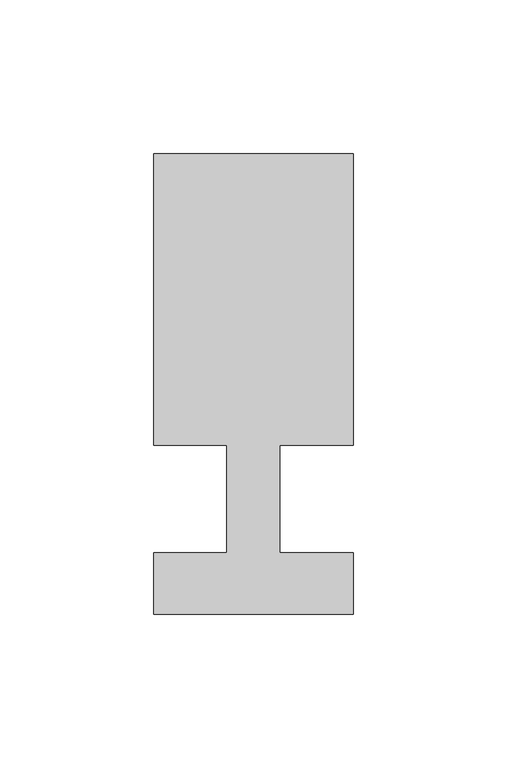
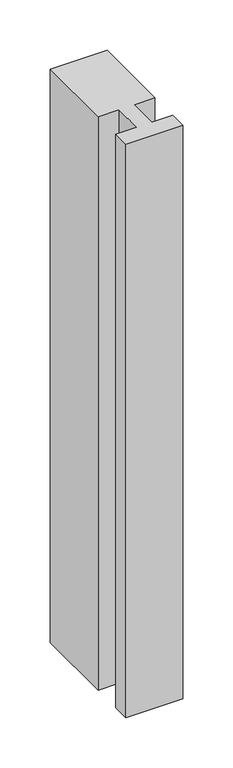
"""IFC4 building model written with IfcOpenShell, lengths in millimetres: member geometry."""

import ifcopenshell
import ifcopenshell.guid

model = None  # the IFC model being written
_history = None  # IfcOwnerHistory: only IFC2X3 demands one
_inside = {}  # id of a spatial element -> (the spatial element, [elements in it])
_under = {}  # id of a project, library or spatial element -> (it, [spatial elements below it])
_declared = {}  # id of a project -> (the project, [libraries it declares])
_typed = {}  # id of a type object -> (the type object, [elements of that type])
_made_of = {}  # id of a material, layer set ... -> (it, [elements and type objects made of it])


def new_model(schema):
    """Start an empty IFC model of exactly this schema.

    Asked for "IFC4X3", IfcOpenShell would pick the latest addendum, in which some entities
    have other attributes; the version numbers below select the first issue.
    IFC2X3 requires an IfcOwnerHistory on every rooted entity: one is made here for all.
    """
    global model, _history
    if schema == "IFC4X3":
        model = ifcopenshell.file(schema_version=(4, 3, 0, 0))
    else:
        model = ifcopenshell.file(schema=schema)
    _inside.clear()
    _under.clear()
    _declared.clear()
    _typed.clear()
    _made_of.clear()
    _history = None
    if model.schema == "IFC2X3":
        org = make("IfcOrganization", Name="unknown")
        user = make(
            "IfcPersonAndOrganization",
            ThePerson=make("IfcPerson", FamilyName="unknown"),
            TheOrganization=org,
        )
        app = make(
            "IfcApplication",
            ApplicationDeveloper=org,
            Version="unknown",
            ApplicationFullName="unknown",
            ApplicationIdentifier="unknown",
        )
        _history = make(
            "IfcOwnerHistory",
            OwningUser=user,
            OwningApplication=app,
            ChangeAction="ADDED",
            CreationDate=0,
        )
    return model


def make(cls, **values):
    """One entity of the class cls with the attributes given. An attribute that is None is left unset."""
    return model.create_entity(
        cls, **{name: value for name, value in values.items() if value is not None}
    )


def rooted(cls, **values):
    """An entity with a GlobalId (a new one), such as an element, a storey or a relation."""
    return make(cls, GlobalId=ifcopenshell.guid.new(), OwnerHistory=_history, **values)


def si_unit(unit_type, name, prefix=None):
    """IfcSIUnit, for example si_unit("LENGTHUNIT", "METRE", prefix="MILLI")."""
    return make("IfcSIUnit", UnitType=unit_type, Prefix=prefix, Name=name)


def assignment(units):
    """IfcUnitAssignment: the units of a project."""
    return None if units is None else make("IfcUnitAssignment", Units=units)


def point(xyz):
    """IfcCartesianPoint."""
    return None if xyz is None else make("IfcCartesianPoint", Coordinates=xyz)


def direction(xyz):
    """IfcDirection."""
    return None if xyz is None else make("IfcDirection", DirectionRatios=xyz)


def frame(location, z_axis=None, x_axis=None):
    """IfcAxis2Placement3D, a coordinate frame: its origin and axes. An axis left out is left unset."""
    return make(
        "IfcAxis2Placement3D",
        Location=point(location),
        Axis=direction(z_axis),
        RefDirection=direction(x_axis),
    )


def origin():
    """The frame at (0, 0, 0) with its axes left unset."""
    return frame((0.0, 0.0, 0.0))


def place(relative_to, where):
    """IfcLocalPlacement: puts the frame where relative to a parent placement (None: the world)."""
    return make(
        "IfcLocalPlacement", PlacementRelTo=relative_to, RelativePlacement=where
    )


def context(
    kind, dimensions, precision=None, world=None, true_north=None, identifier=None
):
    """IfcGeometricRepresentationContext, for example the 3D "Model" context."""
    return make(
        "IfcGeometricRepresentationContext",
        ContextIdentifier=identifier,
        ContextType=kind,
        CoordinateSpaceDimension=dimensions,
        Precision=precision,
        WorldCoordinateSystem=world,
        TrueNorth=true_north,
    )


def project(units=None, contexts=None):
    """IfcProject with its units and contexts."""
    return rooted(
        "IfcProject",
        Name="project",
        RepresentationContexts=contexts,
        UnitsInContext=assignment(units),
    )


def spatial(cls, under=None, at=None, **own):
    """A site, building, storey or space (cls), placed at a placement, below another one or the project."""
    s = rooted(cls, ObjectPlacement=at, **own)
    if under is not None:
        _under.setdefault(under.id(), (under, []))[1].append(s)
    return s


def polyline(points):
    """IfcPolyline through the points."""
    return make("IfcPolyline", Points=[point(p) for p in points])


def outline(outer, holes=None, kind="AREA"):
    """IfcArbitraryClosedProfileDef: a profile drawn as a closed curve; with holes, ...WithVoids."""
    if holes is None:
        return make("IfcArbitraryClosedProfileDef", ProfileType=kind, OuterCurve=outer)
    return make(
        "IfcArbitraryProfileDefWithVoids",
        ProfileType=kind,
        OuterCurve=outer,
        InnerCurves=holes,
    )


def extrude(swept, where, along, depth):
    """IfcExtrudedAreaSolid: the profile swept, set in the frame where, extruded along a direction by depth."""
    return make(
        "IfcExtrudedAreaSolid",
        SweptArea=swept,
        Position=where,
        ExtrudedDirection=direction(along),
        Depth=depth,
    )


def shape(context_of_items, identifier, shape_type, items):
    """IfcShapeRepresentation: the items that make up one representation, for example the "Body"."""
    return make(
        "IfcShapeRepresentation",
        ContextOfItems=context_of_items,
        RepresentationIdentifier=identifier,
        RepresentationType=shape_type,
        Items=items,
    )


def source(mapping_origin, context_of_items, identifier, shape_type, items):
    """IfcRepresentationMap: a shape defined once, which mapped items show again and again."""
    return make(
        "IfcRepresentationMap",
        MappingOrigin=mapping_origin,
        MappedRepresentation=shape(context_of_items, identifier, shape_type, items),
    )


def transform(
    local_origin,
    x_axis=None,
    y_axis=None,
    z_axis=None,
    scale=None,
    scale2=None,
    scale3=None,
    uniform=True,
):
    """IfcCartesianTransformationOperator3D, or its non-uniform kind. x_axis, y_axis, z_axis: its Axis1, 2, 3."""
    if uniform:
        return make(
            "IfcCartesianTransformationOperator3D",
            Axis1=direction(x_axis),
            Axis2=direction(y_axis),
            LocalOrigin=point(local_origin),
            Scale=scale,
            Axis3=direction(z_axis),
        )
    return make(
        "IfcCartesianTransformationOperator3DnonUniform",
        Axis1=direction(x_axis),
        Axis2=direction(y_axis),
        LocalOrigin=point(local_origin),
        Scale=scale,
        Axis3=direction(z_axis),
        Scale2=scale2,
        Scale3=scale3,
    )


def mapped(mapping_source, mapping_target):
    """IfcMappedItem: shows the shape of a source again, moved by a transform."""
    return make(
        "IfcMappedItem", MappingSource=mapping_source, MappingTarget=mapping_target
    )


def made_of(thing, what):
    """Note that an element or type object is made of a material, layer set ...; save() writes the relation."""
    if what is not None:
        _made_of.setdefault(what.id(), (what, []))[1].append(thing)
    return thing


def element(
    cls,
    number,
    at=None,
    inside=None,
    cuts=None,
    type_object=None,
    material=None,
    context=None,
    identifier="Body",
    shape_type=None,
    held_by="IfcProductDefinitionShape",
    body=None,
    shapes=None,
    **own,
):
    """One element of the class cls, such as IfcWall. Its Tag is "e" and its number.

    at: its placement. inside: the storey or other place that contains it. cuts: it is an
    opening in that element (IfcRelVoidsElement). A single representation is given by context,
    identifier, shape_type and body (its items); several are given by shapes. held_by: the class
    of the entity that holds the representations. save() writes the other relations.
    """
    e = rooted(cls, Tag="e%d" % number, ObjectPlacement=at, **own)
    if body is not None:
        shapes = [shape(context, identifier, shape_type, body)]
    if shapes is not None:
        e.Representation = make(held_by, Representations=shapes)
    if inside is not None:
        _inside.setdefault(inside.id(), (inside, []))[1].append(e)
    if cuts is not None:
        rooted(
            "IfcRelVoidsElement", RelatingBuildingElement=cuts, RelatedOpeningElement=e
        )
    if type_object is not None:
        _typed.setdefault(type_object.id(), (type_object, []))[1].append(e)
    return made_of(e, material)


def aggregate(whole, parts):
    """IfcRelAggregates: a whole, such as a stair, and the parts it consists of."""
    return rooted("IfcRelAggregates", RelatingObject=whole, RelatedObjects=parts)


def save(model, path):
    """Write the relations noted so far, then the file.

    IfcRelAggregates (storeys below a building ...), IfcRelContainedInSpatialStructure (elements
    in a storey), IfcRelDefinesByType, IfcRelAssociatesMaterial and IfcRelDeclares: one each for
    every whole, place, type object, material and project.
    """
    for whole, parts in _under.values():
        aggregate(whole, parts)
    for where, things in _inside.values():
        rooted(
            "IfcRelContainedInSpatialStructure",
            RelatedElements=things,
            RelatingStructure=where,
        )
    for kind, things in _typed.values():
        rooted("IfcRelDefinesByType", RelatedObjects=things, RelatingType=kind)
    for what, things in _made_of.values():
        rooted("IfcRelAssociatesMaterial", RelatedObjects=things, RelatingMaterial=what)
    for by, libraries in _declared.values():
        rooted("IfcRelDeclares", RelatingContext=by, RelatedDefinitions=libraries)
    model.write(path)


def member_aaa17ad6(model_context):
    return source(origin(), model_context, "Body", "SweptSolid", [
        extrude(outline(polyline([(-65.0, -37.0), (-65.0, -17.0), (-41.1875, -17.0), (-41.1875, 18.0), (-65.0, 18.0), (-65.0, 113.0), (0.0, 113.0), (0.0, 18.0), (-23.8125, 18.0), (-23.8125, -17.0), (0.0, -17.0), (0.0, -37.0), (-65.0, -37.0)])), frame((0.0, 0.0, -695.0), z_axis=(0.0, 0.0, 1.0), x_axis=(1.0, 0.0, 0.0)), (0.0, 0.0, 1.0), 695.0),
    ])


if __name__ == "__main__":
    model = new_model("IFC4")
    model_context = context("Model", 3, world=origin())
    ifc_project = project(units=[si_unit("LENGTHUNIT", "METRE", prefix="MILLI")], contexts=[model_context])
    site = spatial("IfcSite", under=ifc_project)
    building = spatial("IfcBuilding", under=site)
    placement = place(None, origin())
    member_shape = member_aaa17ad6(model_context)
    element("IfcMember", 1, at=placement, inside=building, context=model_context, shape_type="MappedRepresentation", body=[
        mapped(member_shape, transform((0.0, 0.0, 0.0), x_axis=(1.0, 0.0, 0.0), y_axis=(0.0, 1.0, 0.0), z_axis=(0.0, 0.0, 1.0))),
    ])
    save(model, "model.ifc")
